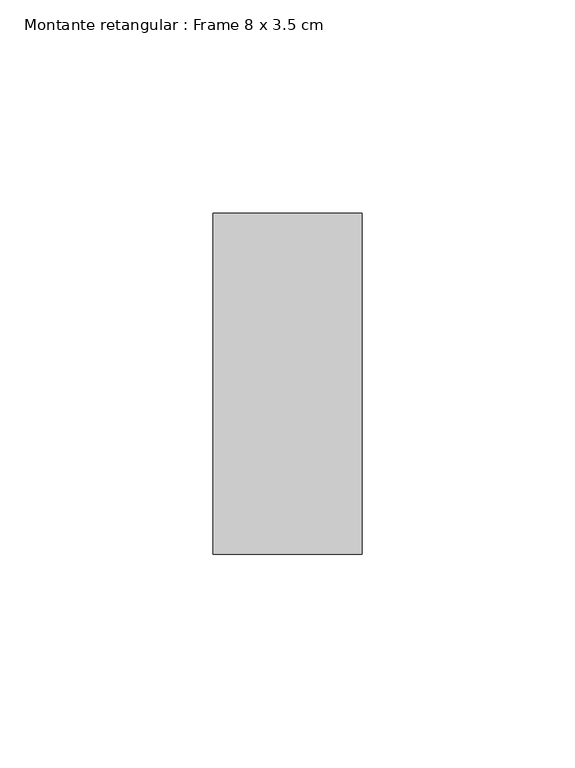
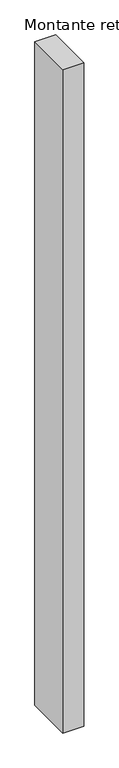
"""IFC4 building model written with IfcOpenShell, lengths in millimetres: member geometry, Montante retangular : Frame 8 x 3.5 cm."""

from ifc_helpers import new_model, si_unit, frame, origin, place, context, project, spatial, polyline, outline, extrude, source, transform, mapped, element, save


def montante_retangular_frame_8_x_3_5_cm_bf76a5be(model_context):
    return source(origin(), model_context, "Body", "SweptSolid", [
        extrude(outline(polyline([(0.0, 40.0), (0.0, -40.0), (-35.0, -40.0), (-35.0, 40.0), (0.0, 40.0)])), frame((0.0, 0.0, -1165.0), z_axis=(0.0, 0.0, 1.0), x_axis=(1.0, 0.0, 0.0)), (0.0, 0.0, 1.0), 1165.0),
    ])


if __name__ == "__main__":
    model = new_model("IFC4")
    model_context = context("Model", 3, world=origin())
    ifc_project = project(units=[si_unit("LENGTHUNIT", "METRE", prefix="MILLI")], contexts=[model_context])
    site = spatial("IfcSite", under=ifc_project)
    building = spatial("IfcBuilding", under=site)
    placement = place(None, origin())
    montante_retangular_frame_8_x_3_5_cm_shape = montante_retangular_frame_8_x_3_5_cm_bf76a5be(model_context)
    element("IfcMember", 1, ObjectType="Montante retangular : Frame 8 x 3.5 cm", at=placement, inside=building, context=model_context, shape_type="MappedRepresentation", body=[
        mapped(montante_retangular_frame_8_x_3_5_cm_shape, transform((0.0, 0.0, 0.0), x_axis=(1.0, 0.0, 0.0), y_axis=(0.0, 1.0, 0.0), z_axis=(0.0, 0.0, 1.0))),
    ])
    save(model, "model.ifc")
